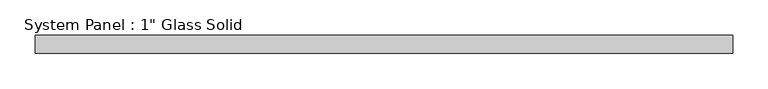
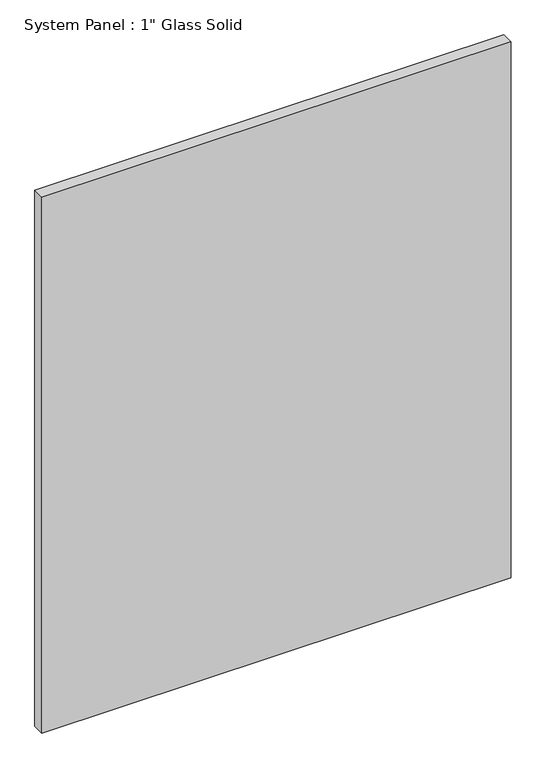
"""IFC4 building model written with IfcOpenShell, lengths in millimetres: plate geometry."""

from ifc_helpers import new_model, si_unit, origin, origin_with_axes, place, context, project, spatial, polyline, outline, extrude, source, transform, mapped, element, save


def plate_0a5b34be(model_context):
    return source(origin(), model_context, "Body", "SweptSolid", [
        extrude(outline(polyline([(492.1258852, -12.7), (-492.1258852, -12.7), (-492.1258852, 12.7), (492.1258852, 12.7), (492.1258852, -12.7)])), origin_with_axes(), (0.0, 0.0, 1.0), 1187.4517704),
    ])


if __name__ == "__main__":
    model = new_model("IFC4")
    model_context = context("Model", 3, world=origin())
    ifc_project = project(units=[si_unit("LENGTHUNIT", "METRE", prefix="MILLI")], contexts=[model_context])
    site = spatial("IfcSite", under=ifc_project)
    building = spatial("IfcBuilding", under=site)
    placement = place(None, origin())
    plate_shape = plate_0a5b34be(model_context)
    element("IfcPlate", 1, ObjectType="System Panel : 1\" Glass Solid", at=placement, inside=building, context=model_context, shape_type="MappedRepresentation", body=[
        mapped(plate_shape, transform((0.0, 0.0, 0.0), x_axis=(1.0, 0.0, 0.0), y_axis=(0.0, 1.0, 0.0), z_axis=(0.0, 0.0, 1.0))),
    ])
    save(model, "model.ifc")
